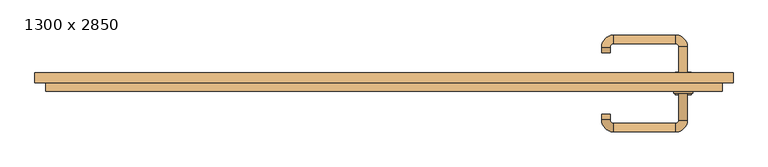
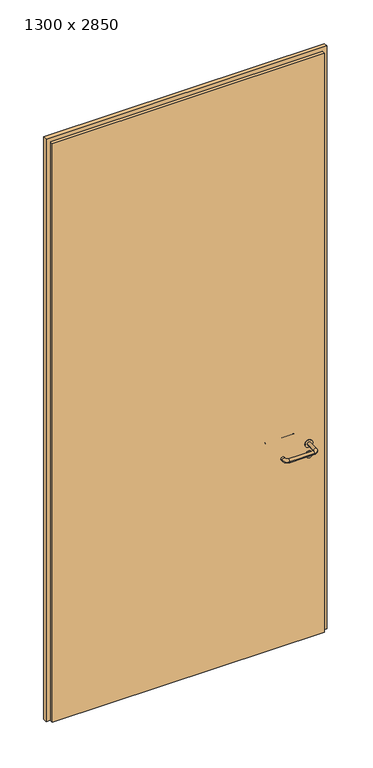
"""IFC4 building model written with IfcOpenShell, lengths in millimetres: door geometry, 1300 x 2850."""

import ifcopenshell
import ifcopenshell.guid

model = None  # the IFC model being written
_history = None  # IfcOwnerHistory: only IFC2X3 demands one
_inside = {}  # id of a spatial element -> (the spatial element, [elements in it])
_under = {}  # id of a project, library or spatial element -> (it, [spatial elements below it])
_declared = {}  # id of a project -> (the project, [libraries it declares])
_typed = {}  # id of a type object -> (the type object, [elements of that type])
_made_of = {}  # id of a material, layer set ... -> (it, [elements and type objects made of it])


def new_model(schema):
    """Start an empty IFC model of exactly this schema.

    Asked for "IFC4X3", IfcOpenShell would pick the latest addendum, in which some entities
    have other attributes; the version numbers below select the first issue.
    IFC2X3 requires an IfcOwnerHistory on every rooted entity: one is made here for all.
    """
    global model, _history
    if schema == "IFC4X3":
        model = ifcopenshell.file(schema_version=(4, 3, 0, 0))
    else:
        model = ifcopenshell.file(schema=schema)
    _inside.clear()
    _under.clear()
    _declared.clear()
    _typed.clear()
    _made_of.clear()
    _history = None
    if model.schema == "IFC2X3":
        org = make("IfcOrganization", Name="unknown")
        user = make(
            "IfcPersonAndOrganization",
            ThePerson=make("IfcPerson", FamilyName="unknown"),
            TheOrganization=org,
        )
        app = make(
            "IfcApplication",
            ApplicationDeveloper=org,
            Version="unknown",
            ApplicationFullName="unknown",
            ApplicationIdentifier="unknown",
        )
        _history = make(
            "IfcOwnerHistory",
            OwningUser=user,
            OwningApplication=app,
            ChangeAction="ADDED",
            CreationDate=0,
        )
    return model


def make(cls, **values):
    """One entity of the class cls with the attributes given. An attribute that is None is left unset."""
    return model.create_entity(
        cls, **{name: value for name, value in values.items() if value is not None}
    )


def rooted(cls, **values):
    """An entity with a GlobalId (a new one), such as an element, a storey or a relation."""
    return make(cls, GlobalId=ifcopenshell.guid.new(), OwnerHistory=_history, **values)


def si_unit(unit_type, name, prefix=None):
    """IfcSIUnit, for example si_unit("LENGTHUNIT", "METRE", prefix="MILLI")."""
    return make("IfcSIUnit", UnitType=unit_type, Prefix=prefix, Name=name)


def assignment(units):
    """IfcUnitAssignment: the units of a project."""
    return None if units is None else make("IfcUnitAssignment", Units=units)


def point(xyz):
    """IfcCartesianPoint."""
    return None if xyz is None else make("IfcCartesianPoint", Coordinates=xyz)


def direction(xyz):
    """IfcDirection."""
    return None if xyz is None else make("IfcDirection", DirectionRatios=xyz)


def frame(location, z_axis=None, x_axis=None):
    """IfcAxis2Placement3D, a coordinate frame: its origin and axes. An axis left out is left unset."""
    return make(
        "IfcAxis2Placement3D",
        Location=point(location),
        Axis=direction(z_axis),
        RefDirection=direction(x_axis),
    )


def frame_2d(location, x_axis=None):
    """IfcAxis2Placement2D, a coordinate frame in the plane: its origin and x axis."""
    return make(
        "IfcAxis2Placement2D", Location=point(location), RefDirection=direction(x_axis)
    )


def origin():
    """The frame at (0, 0, 0) with its axes left unset."""
    return frame((0.0, 0.0, 0.0))


def origin_with_axes():
    """The frame at (0, 0, 0) with the z axis (0, 0, 1) and the x axis (1, 0, 0) written out."""
    return frame((0.0, 0.0, 0.0), z_axis=(0.0, 0.0, 1.0), x_axis=(1.0, 0.0, 0.0))


def place(relative_to, where):
    """IfcLocalPlacement: puts the frame where relative to a parent placement (None: the world)."""
    return make(
        "IfcLocalPlacement", PlacementRelTo=relative_to, RelativePlacement=where
    )


def context(
    kind, dimensions, precision=None, world=None, true_north=None, identifier=None
):
    """IfcGeometricRepresentationContext, for example the 3D "Model" context."""
    return make(
        "IfcGeometricRepresentationContext",
        ContextIdentifier=identifier,
        ContextType=kind,
        CoordinateSpaceDimension=dimensions,
        Precision=precision,
        WorldCoordinateSystem=world,
        TrueNorth=true_north,
    )


def project(units=None, contexts=None):
    """IfcProject with its units and contexts."""
    return rooted(
        "IfcProject",
        Name="project",
        RepresentationContexts=contexts,
        UnitsInContext=assignment(units),
    )


def spatial(cls, under=None, at=None, **own):
    """A site, building, storey or space (cls), placed at a placement, below another one or the project."""
    s = rooted(cls, ObjectPlacement=at, **own)
    if under is not None:
        _under.setdefault(under.id(), (under, []))[1].append(s)
    return s


def polyline(points):
    """IfcPolyline through the points."""
    return make("IfcPolyline", Points=[point(p) for p in points])


def circle_curve(where, radius):
    """IfcCircle in the frame where."""
    return make("IfcCircle", Position=where, Radius=radius)


def ellipse_curve(where, semi_axis1, semi_axis2):
    """IfcEllipse in the frame where."""
    return make(
        "IfcEllipse", Position=where, SemiAxis1=semi_axis1, SemiAxis2=semi_axis2
    )


def trimmed(basis, trim1, trim2, sense, master):
    """IfcTrimmedCurve: the piece of a basis curve between two trims."""
    return make(
        "IfcTrimmedCurve",
        BasisCurve=basis,
        Trim1=trim1,
        Trim2=trim2,
        SenseAgreement=sense,
        MasterRepresentation=master,
    )


def segment(curve, same_sense, transition):
    """IfcCompositeCurveSegment."""
    return make(
        "IfcCompositeCurveSegment",
        Transition=transition,
        SameSense=same_sense,
        ParentCurve=curve,
    )


def composite_curve(segments, self_intersect=None):
    """IfcCompositeCurve: segments joined end to end."""
    return make("IfcCompositeCurve", Segments=segments, SelfIntersect=self_intersect)


def outline(outer, holes=None, kind="AREA"):
    """IfcArbitraryClosedProfileDef: a profile drawn as a closed curve; with holes, ...WithVoids."""
    if holes is None:
        return make("IfcArbitraryClosedProfileDef", ProfileType=kind, OuterCurve=outer)
    return make(
        "IfcArbitraryProfileDefWithVoids",
        ProfileType=kind,
        OuterCurve=outer,
        InnerCurves=holes,
    )


def extrude(swept, where, along, depth):
    """IfcExtrudedAreaSolid: the profile swept, set in the frame where, extruded along a direction by depth."""
    return make(
        "IfcExtrudedAreaSolid",
        SweptArea=swept,
        Position=where,
        ExtrudedDirection=direction(along),
        Depth=depth,
    )


def shape(context_of_items, identifier, shape_type, items):
    """IfcShapeRepresentation: the items that make up one representation, for example the "Body"."""
    return make(
        "IfcShapeRepresentation",
        ContextOfItems=context_of_items,
        RepresentationIdentifier=identifier,
        RepresentationType=shape_type,
        Items=items,
    )


def source(mapping_origin, context_of_items, identifier, shape_type, items):
    """IfcRepresentationMap: a shape defined once, which mapped items show again and again."""
    return make(
        "IfcRepresentationMap",
        MappingOrigin=mapping_origin,
        MappedRepresentation=shape(context_of_items, identifier, shape_type, items),
    )


def transform(
    local_origin,
    x_axis=None,
    y_axis=None,
    z_axis=None,
    scale=None,
    scale2=None,
    scale3=None,
    uniform=True,
):
    """IfcCartesianTransformationOperator3D, or its non-uniform kind. x_axis, y_axis, z_axis: its Axis1, 2, 3."""
    if uniform:
        return make(
            "IfcCartesianTransformationOperator3D",
            Axis1=direction(x_axis),
            Axis2=direction(y_axis),
            LocalOrigin=point(local_origin),
            Scale=scale,
            Axis3=direction(z_axis),
        )
    return make(
        "IfcCartesianTransformationOperator3DnonUniform",
        Axis1=direction(x_axis),
        Axis2=direction(y_axis),
        LocalOrigin=point(local_origin),
        Scale=scale,
        Axis3=direction(z_axis),
        Scale2=scale2,
        Scale3=scale3,
    )


def mapped(mapping_source, mapping_target):
    """IfcMappedItem: shows the shape of a source again, moved by a transform."""
    return make(
        "IfcMappedItem", MappingSource=mapping_source, MappingTarget=mapping_target
    )


def made_of(thing, what):
    """Note that an element or type object is made of a material, layer set ...; save() writes the relation."""
    if what is not None:
        _made_of.setdefault(what.id(), (what, []))[1].append(thing)
    return thing


def element(
    cls,
    number,
    at=None,
    inside=None,
    cuts=None,
    type_object=None,
    material=None,
    context=None,
    identifier="Body",
    shape_type=None,
    held_by="IfcProductDefinitionShape",
    body=None,
    shapes=None,
    **own,
):
    """One element of the class cls, such as IfcWall. Its Tag is "e" and its number.

    at: its placement. inside: the storey or other place that contains it. cuts: it is an
    opening in that element (IfcRelVoidsElement). A single representation is given by context,
    identifier, shape_type and body (its items); several are given by shapes. held_by: the class
    of the entity that holds the representations. save() writes the other relations.
    """
    e = rooted(cls, Tag="e%d" % number, ObjectPlacement=at, **own)
    if body is not None:
        shapes = [shape(context, identifier, shape_type, body)]
    if shapes is not None:
        e.Representation = make(held_by, Representations=shapes)
    if inside is not None:
        _inside.setdefault(inside.id(), (inside, []))[1].append(e)
    if cuts is not None:
        rooted(
            "IfcRelVoidsElement", RelatingBuildingElement=cuts, RelatedOpeningElement=e
        )
    if type_object is not None:
        _typed.setdefault(type_object.id(), (type_object, []))[1].append(e)
    return made_of(e, material)


def aggregate(whole, parts):
    """IfcRelAggregates: a whole, such as a stair, and the parts it consists of."""
    return rooted("IfcRelAggregates", RelatingObject=whole, RelatedObjects=parts)


def save(model, path):
    """Write the relations noted so far, then the file.

    IfcRelAggregates (storeys below a building ...), IfcRelContainedInSpatialStructure (elements
    in a storey), IfcRelDefinesByType, IfcRelAssociatesMaterial and IfcRelDeclares: one each for
    every whole, place, type object, material and project.
    """
    for whole, parts in _under.values():
        aggregate(whole, parts)
    for where, things in _inside.values():
        rooted(
            "IfcRelContainedInSpatialStructure",
            RelatedElements=things,
            RelatingStructure=where,
        )
    for kind, things in _typed.values():
        rooted("IfcRelDefinesByType", RelatedObjects=things, RelatingType=kind)
    for what, things in _made_of.values():
        rooted("IfcRelAssociatesMaterial", RelatedObjects=things, RelatingMaterial=what)
    for by, libraries in _declared.values():
        rooted("IfcRelDeclares", RelatingContext=by, RelatedDefinitions=libraries)
    model.write(path)


def plane_surface(at):
    """IfcPlane: the flat surface through the origin of the frame at, square to its z axis."""
    return make("IfcPlane", Position=at)


def cylinder_surface(at, radius):
    """IfcCylindricalSurface: all points at the distance radius from the z axis of the frame at."""
    return make("IfcCylindricalSurface", Position=at, Radius=radius)


def revolved_surface(curve, axis_point, axis_direction):
    """IfcSurfaceOfRevolution: the curve turned about the line through axis_point along axis_direction."""
    return make(
        "IfcSurfaceOfRevolution",
        SweptCurve=make("IfcArbitraryOpenProfileDef", ProfileType="CURVE", Curve=curve),
        AxisPosition=make("IfcAxis1Placement", Location=point(axis_point), Axis=direction(axis_direction)),
    )


def advanced_brep(points, edges, surfaces, faces):
    """IfcAdvancedBrep: a solid bounded by faces that lie on surfaces and meet in shared edges.

    An edge is (start, end): straight between two places in points (the first is 0);
    or (start, end, curve); or (start, end, curve, False) where it runs against its curve.
    A face is (place in surfaces, loops), or (place, loops, False) where it looks against
    its surface's normal. A loop lists edges by number (the first is 1), with a minus sign
    where the edge is run from its end to its start. The first loop is the outer one.
    """
    corners = [point(p) for p in points]
    vertices = [make("IfcVertexPoint", VertexGeometry=c) for c in corners]
    made = []
    for start, end, *more in edges:
        made.append(
            make(
                "IfcEdgeCurve",
                EdgeStart=vertices[start],
                EdgeEnd=vertices[end],
                EdgeGeometry=more[0] if more else make("IfcPolyline", Points=[corners[start], corners[end]]),
                SameSense=more[1] if len(more) > 1 else True,
            )
        )
    hull = []
    for where, loops, *sense in faces:
        bounds = []
        for j, loop in enumerate(loops):
            ring = [make("IfcOrientedEdge", EdgeElement=made[abs(k) - 1], Orientation=k > 0) for k in loop]
            bounds.append(
                make(
                    "IfcFaceOuterBound" if j == 0 else "IfcFaceBound",
                    Bound=make("IfcEdgeLoop", EdgeList=ring),
                    Orientation=True,
                )
            )
        hull.append(make("IfcAdvancedFace", Bounds=bounds, FaceSurface=surfaces[where], SameSense=sense[0] if sense else True))
    return make("IfcAdvancedBrep", Outer=make("IfcClosedShell", CfsFaces=hull))


def door_1300_x_2850_99b6e369(model_context):
    return source(origin(), model_context, "Body", "SolidModel", [
        extrude(outline(composite_curve([segment(trimmed(circle_curve(frame_2d((897.3605726, 557.0)), 15.0), [point((897.3605726, 572.0))], [point((897.3605726, 542.0))], False, "CARTESIAN"), True, "CONTINUOUS"), segment(trimmed(circle_curve(frame_2d((897.3605726, 557.0)), 15.0), [point((897.3605726, 542.0))], [point((897.3605726, 572.0))], False, "CARTESIAN"), True, "CONTINUOUS")], self_intersect=False), holes=[composite_curve([segment(trimmed(circle_curve(frame_2d((892.5833211, 556.9398032)), 2.0), [point((892.5833211, 558.9398032))], [point((892.5833211, 554.9398032))], True, "CARTESIAN"), True, "CONTINUOUS"), segment(polyline([(892.5833211, 554.9398032), (902.5833211, 554.9398032)]), True, "CONTINUOUS"), segment(trimmed(circle_curve(frame_2d((902.5833211, 556.9398032)), 2.0), [point((902.5833211, 554.9398032))], [point((902.5833211, 558.9398032))], True, "CARTESIAN"), True, "CONTINUOUS"), segment(polyline([(902.5833211, 558.9398032), (892.5833211, 558.9398032)]), True, "CONTINUOUS")], self_intersect=False)]), frame((0.0, -31.35, 0.0), z_axis=(0.0, 1.0, 0.0), x_axis=(0.0, 0.0, 1.0)), (0.0, 0.0, 1.0), 6.35),
        extrude(outline(composite_curve([segment(trimmed(circle_curve(frame_2d((950.0, 557.0)), 17.526), [point((950.0, 574.526))], [point((950.0, 539.474))], False, "CARTESIAN"), True, "CONTINUOUS"), segment(trimmed(circle_curve(frame_2d((950.0, 557.0)), 17.526), [point((950.0, 539.474))], [point((950.0, 574.526))], False, "CARTESIAN"), True, "CONTINUOUS")], self_intersect=False)), frame((0.0, -28.175, 0.0), z_axis=(0.0, 1.0, 0.0), x_axis=(0.0, 0.0, 1.0)), (0.0, 0.0, 1.0), 3.175),
        advanced_brep(
        [(565.0, -25.0, 950.0), (549.0, -25.0, 950.0), (549.0, -78.0, 950.0), (565.0, -78.0, 950.0), (542.8578644, -84.1421356, 950.0), (542.8578644, -100.1421356, 950.0), (427.8578644, -84.1421356, 950.0), (427.8578644, -100.1421356, 950.0), (421.008622, -77.2928932, 950.0), (405.008622, -77.2928932, 950.0), (405.008622, -67.2928932, 950.0), (421.008622, -67.2928932, 950.0)],
        [
            (0, 1, circle_curve(frame((557.0, -25.0, 950.0), z_axis=(0.0, 1.0, 0.0), x_axis=(-1.0, 0.0, 0.0)), 8.0)),
            (1, 0, circle_curve(frame((557.0, -25.0, 950.0), z_axis=(0.0, 1.0, 0.0), x_axis=(-1.0, 0.0, 0.0)), 8.0)),
            (1, 2),
            (2, 3, circle_curve(frame((557.0, -78.0, 950.0), z_axis=(0.0, 1.0, 0.0), x_axis=(-1.0, 0.0, 0.0)), 8.0)),
            (3, 0),
            (3, 2, circle_curve(frame((557.0, -78.0, 950.0), z_axis=(0.0, 1.0, 0.0), x_axis=(-1.0, 0.0, 0.0)), 8.0)),
            (4, 5, circle_curve(frame((542.8578644, -92.1421356, 950.0), z_axis=(1.0, 0.0, 0.0), x_axis=(0.0, 1.0, 0.0)), 8.0)),
            (5, 3, circle_curve(frame((542.8578644, -78.0, 950.0), z_axis=(0.0, 0.0, 1.0), x_axis=(1.0, 0.0, 0.0)), 22.1421356)),
            (2, 4, circle_curve(frame((542.8578644, -78.0, 950.0), z_axis=(0.0, 0.0, -1.0), x_axis=(1.0, 0.0, 0.0)), 6.1421356)),
            (5, 4, circle_curve(frame((542.8578644, -92.1421356, 950.0), z_axis=(1.0, 0.0, 0.0), x_axis=(0.0, 1.0, 0.0)), 8.0)),
            (4, 6),
            (6, 7, circle_curve(frame((427.8578644, -92.1421356, 950.0), z_axis=(1.0, 0.0, 0.0), x_axis=(0.0, 1.0, 0.0)), 8.0)),
            (7, 5),
            (7, 6, circle_curve(frame((427.8578644, -92.1421356, 950.0), z_axis=(1.0, 0.0, 0.0), x_axis=(0.0, 1.0, 0.0)), 8.0)),
            (8, 9, circle_curve(frame((413.008622, -77.2928932, 950.0), z_axis=(0.0, -1.0, 0.0), x_axis=(1.0, 0.0, 0.0)), 8.0)),
            (9, 7, circle_curve(frame((427.8578644, -77.2928932, 950.0), z_axis=(0.0, 0.0, 1.0), x_axis=(0.0, -1.0, 0.0)), 22.8492424)),
            (6, 8, circle_curve(frame((427.8578644, -77.2928932, 950.0), z_axis=(0.0, 0.0, -1.0), x_axis=(0.0, -1.0, 0.0)), 6.8492424)),
            (9, 8, circle_curve(frame((413.008622, -77.2928932, 950.0), z_axis=(0.0, -1.0, 0.0), x_axis=(1.0, 0.0, 0.0)), 8.0)),
            (10, 11, circle_curve(frame((413.008622, -67.2928932, 950.0), z_axis=(0.0, 1.0, 0.0), x_axis=(1.0, 0.0, 0.0)), 8.0)),
            (11, 10, circle_curve(frame((413.008622, -67.2928932, 950.0), z_axis=(0.0, 1.0, 0.0), x_axis=(1.0, 0.0, 0.0)), 8.0)),
            (8, 11),
            (10, 9),
        ],
        [
            plane_surface(frame((557.0, -25.0, 0.0), z_axis=(0.0, 1.0, 0.0), x_axis=(0.0, 0.0, 1.0))),
            cylinder_surface(frame((557.0, -25.0, 950.0), z_axis=(0.0, 1.0, 0.0), x_axis=(-1.0, 0.0, 0.0)), 8.0),
            revolved_surface(trimmed(ellipse_curve(frame((557.0, -78.0, 950.0), z_axis=(0.0, -1.0, 0.0), x_axis=(-1.0, 0.0, 0.0)), 8.0, 8.0), [point((565.0, -78.0, 950.0))], [point((549.0, -78.0, 950.0))], True, "CARTESIAN"), (542.8578644, -78.0, 0.0), (0.0, 0.0, 1.0)),
            revolved_surface(trimmed(ellipse_curve(frame((557.0, -78.0, 950.0), z_axis=(0.0, -1.0, 0.0), x_axis=(-1.0, 0.0, 0.0)), 8.0, 8.0), [point((549.0, -78.0, 950.0))], [point((565.0, -78.0, 950.0))], True, "CARTESIAN"), (542.8578644, -78.0, 0.0), (0.0, 0.0, 1.0)),
            cylinder_surface(frame((542.8578644, -92.1421356, 950.0), z_axis=(1.0, 0.0, 0.0), x_axis=(0.0, 1.0, 0.0)), 8.0),
            revolved_surface(trimmed(ellipse_curve(frame((427.8578644, -92.1421356, 950.0), z_axis=(-1.0, 0.0, 0.0), x_axis=(0.0, 1.0, 0.0)), 8.0, 8.0), [point((427.8578644, -100.1421356, 950.0))], [point((427.8578644, -84.1421356, 950.0))], True, "CARTESIAN"), (427.8578644, -77.2928932, 0.0), (0.0, 0.0, 1.0)),
            revolved_surface(trimmed(ellipse_curve(frame((427.8578644, -92.1421356, 950.0), z_axis=(-1.0, 0.0, 0.0), x_axis=(0.0, 1.0, 0.0)), 8.0, 8.0), [point((427.8578644, -84.1421356, 950.0))], [point((427.8578644, -100.1421356, 950.0))], True, "CARTESIAN"), (427.8578644, -77.2928932, 0.0), (0.0, 0.0, 1.0)),
            plane_surface(frame((413.008622, -67.2928932, 0.0), z_axis=(0.0, 1.0, 0.0), x_axis=(0.0, 0.0, 1.0))),
            cylinder_surface(frame((413.008622, -77.2928932, 950.0), z_axis=(0.0, -1.0, 0.0), x_axis=(1.0, 0.0, 0.0)), 8.0),
        ],
        [
            (0, [[1, 2]]),
            (1, [[3, 4, 5, -2]]),
            (1, [[-5, 6, -3, -1]]),
            (2, [[7, 8, -4, 9]]),
            (3, [[10, -9, -6, -8]]),
            (4, [[11, 12, 13, -7]]),
            (4, [[-13, 14, -11, -10]]),
            (5, [[15, 16, -12, 17]]),
            (6, [[18, -17, -14, -16]]),
            (7, [[19, 20]]),
            (8, [[21, -19, 22, -15]]),
            (8, [[-22, -20, -21, -18]]),
        ],
    ),
        extrude(outline(composite_curve([segment(trimmed(circle_curve(frame_2d((0.0, -15.0)), 15.0), [point((0.0, -30.0))], [point((0.0, 0.0))], False, "CARTESIAN"), True, "CONTINUOUS"), segment(trimmed(circle_curve(frame_2d((0.0, -15.0)), 15.0), [point((0.0, 0.0))], [point((0.0, -30.0))], False, "CARTESIAN"), True, "CONTINUOUS")], self_intersect=False), holes=[composite_curve([segment(trimmed(circle_curve(frame_2d((4.7772515, -14.9398032)), 2.0), [point((4.7772515, -16.9398032))], [point((4.7772515, -12.9398032))], True, "CARTESIAN"), True, "CONTINUOUS"), segment(polyline([(4.7772515, -12.9398032), (-5.2227485, -12.9398032)]), True, "CONTINUOUS"), segment(trimmed(circle_curve(frame_2d((-5.2227485, -14.9398032)), 2.0), [point((-5.2227485, -12.9398032))], [point((-5.2227485, -16.9398032))], True, "CARTESIAN"), True, "CONTINUOUS"), segment(polyline([(-5.2227485, -16.9398032), (4.7772515, -16.9398032)]), True, "CONTINUOUS")], self_intersect=False)]), frame((542.0, 5.0, 897.3605726), z_axis=(1.8870575173328306e-12, 1.0, 0.0), x_axis=(0.0, 0.0, -1.0)), (0.0, 0.0, 1.0), 6.35),
        extrude(outline(composite_curve([segment(trimmed(circle_curve(frame_2d((0.0, -17.526)), 17.526), [point((0.0, -35.052))], [point((0.0, 0.0))], False, "CARTESIAN"), True, "CONTINUOUS"), segment(trimmed(circle_curve(frame_2d((0.0, -17.526)), 17.526), [point((0.0, 0.0))], [point((0.0, -35.052))], False, "CARTESIAN"), True, "CONTINUOUS")], self_intersect=False)), frame((539.474, 5.0, 950.0), z_axis=(1.8870575173328306e-12, 1.0, 0.0), x_axis=(0.0, 0.0, -1.0)), (0.0, 0.0, 1.0), 3.175),
        advanced_brep(
        [(565.0, 5.0, 950.0), (549.0, 5.0, 950.0), (565.0, 58.0, 950.0), (549.0, 58.0, 950.0), (542.8578644, 64.1421356, 950.0), (542.8578644, 80.1421356, 950.0), (427.8578644, 80.1421356, 950.0), (427.8578644, 64.1421356, 950.0), (421.008622, 57.2928932, 950.0), (405.008622, 57.2928932, 950.0), (405.008622, 47.2928932, 950.0), (421.008622, 47.2928932, 950.0)],
        [
            (0, 1, circle_curve(frame((557.0, 5.0, 950.0), z_axis=(-1.888672253512351e-12, -1.0, 0.0), x_axis=(-1.0, 1.888672253512351e-12, 0.0)), 8.0)),
            (1, 0, circle_curve(frame((557.0, 5.0, 950.0), z_axis=(-1.888672253512351e-12, -1.0, 0.0), x_axis=(-1.0, 1.888672253512351e-12, 0.0)), 8.0)),
            (0, 2),
            (2, 3, circle_curve(frame((557.0, 58.0, 950.0), z_axis=(-1.888672253512351e-12, -1.0, 0.0), x_axis=(-1.0, 1.888672253512351e-12, 0.0)), 8.0)),
            (3, 1),
            (3, 2, circle_curve(frame((557.0, 58.0, 950.0), z_axis=(-1.888672253512351e-12, -1.0, 0.0), x_axis=(-1.0, 1.888672253512351e-12, 0.0)), 8.0)),
            (4, 3, circle_curve(frame((542.8578644, 58.0, 950.0), z_axis=(0.0, 0.0, -1.0), x_axis=(1.0, -1.880717803715015e-12, 0.0)), 6.1421356)),
            (2, 5, circle_curve(frame((542.8578644, 58.0, 950.0), z_axis=(0.0, 0.0, 1.0), x_axis=(1.0, -1.880717803715015e-12, 0.0)), 22.1421356)),
            (5, 4, circle_curve(frame((542.8578644, 72.1421356, 950.0), z_axis=(1.0, -1.913702061528922e-12, 0.0), x_axis=(-1.913702061528922e-12, -1.0, 0.0)), 8.0)),
            (4, 5, circle_curve(frame((542.8578644, 72.1421356, 950.0), z_axis=(1.0, -1.913702061528922e-12, 0.0), x_axis=(-1.913702061528922e-12, -1.0, 0.0)), 8.0)),
            (5, 6),
            (6, 7, circle_curve(frame((427.8578644, 72.1421356, 950.0), z_axis=(1.0, -1.913719828541269e-12, 0.0), x_axis=(-1.913719828541269e-12, -1.0, 0.0)), 8.0)),
            (7, 4),
            (7, 6, circle_curve(frame((427.8578644, 72.1421356, 950.0), z_axis=(1.0, -1.913719828541269e-12, 0.0), x_axis=(-1.913719828541269e-12, -1.0, 0.0)), 8.0)),
            (8, 7, circle_curve(frame((427.8578644, 57.2928932, 950.0), z_axis=(0.0, 0.0, -1.0), x_axis=(1.9120873253494017e-12, 1.0, 0.0)), 6.8492424)),
            (6, 9, circle_curve(frame((427.8578644, 57.2928932, 950.0), z_axis=(0.0, 0.0, 1.0), x_axis=(1.9120873253494017e-12, 1.0, 0.0)), 22.8492424)),
            (9, 8, circle_curve(frame((413.008622, 57.2928932, 950.0), z_axis=(1.890448610351751e-12, 1.0, 0.0), x_axis=(1.0, -1.890448610351751e-12, 0.0)), 8.0)),
            (8, 9, circle_curve(frame((413.008622, 57.2928932, 950.0), z_axis=(1.8888942981172756e-12, 1.0, 0.0), x_axis=(1.0, -1.8888942981172756e-12, 0.0)), 8.0)),
            (10, 11, circle_curve(frame((413.008622, 47.2928932, 950.0), z_axis=(-1.8903642334018795e-12, -1.0, 0.0), x_axis=(1.0, -1.8903642334018795e-12, 0.0)), 8.0)),
            (11, 10, circle_curve(frame((413.008622, 47.2928932, 950.0), z_axis=(-1.8903642334018795e-12, -1.0, 0.0), x_axis=(1.0, -1.8903642334018795e-12, 0.0)), 8.0)),
            (9, 10),
            (11, 8),
        ],
        [
            plane_surface(frame((557.0, 5.0, 0.0), z_axis=(-1.8870575173328306e-12, -1.0, 0.0), x_axis=(0.0, 0.0, 1.0))),
            cylinder_surface(frame((557.0, 5.0, 950.0), z_axis=(-1.888672253512351e-12, -1.0, 0.0), x_axis=(-1.0, 1.888672253512351e-12, 0.0)), 8.0),
            revolved_surface(trimmed(ellipse_curve(frame((557.0, 58.0, 950.0), z_axis=(-1.8823325398945356e-12, -1.0, 0.0), x_axis=(-1.0, 1.8823325398945356e-12, 0.0)), 8.0, 8.0), [point((565.0, 58.0, 950.0))], [point((549.0, 58.0, 950.0))], True, "CARTESIAN"), (542.8578644, 58.0, 0.0), (0.0, 0.0, 1.0)),
            revolved_surface(trimmed(ellipse_curve(frame((557.0, 58.0, 950.0), z_axis=(-1.8823325398945356e-12, -1.0, 0.0), x_axis=(-1.0, 1.8823325398945356e-12, 0.0)), 8.0, 8.0), [point((549.0, 58.0, 950.0))], [point((565.0, 58.0, 950.0))], True, "CARTESIAN"), (542.8578644, 58.0, 0.0), (0.0, 0.0, 1.0)),
            cylinder_surface(frame((542.8578644, 72.1421356, 950.0), z_axis=(1.0, -1.913719828541269e-12, 0.0), x_axis=(-1.913719828541269e-12, -1.0, 0.0)), 8.0),
            revolved_surface(trimmed(ellipse_curve(frame((427.8578644, 72.1421356, 950.0), z_axis=(1.0, -1.913702061528922e-12, 0.0), x_axis=(-1.913702061528922e-12, -1.0, 0.0)), 8.0, 8.0), [point((427.8578644, 80.1421356, 950.0))], [point((427.8578644, 64.1421356, 950.0))], True, "CARTESIAN"), (427.8578644, 57.2928932, 0.0), (0.0, 0.0, 1.0)),
            revolved_surface(trimmed(ellipse_curve(frame((427.8578644, 72.1421356, 950.0), z_axis=(1.0, -1.913702061528922e-12, 0.0), x_axis=(-1.913702061528922e-12, -1.0, 0.0)), 8.0, 8.0), [point((427.8578644, 64.1421356, 950.0))], [point((427.8578644, 80.1421356, 950.0))], True, "CARTESIAN"), (427.8578644, 57.2928932, 0.0), (0.0, 0.0, 1.0)),
            plane_surface(frame((413.008622, 47.2928932, 0.0), z_axis=(-1.8887494972223595e-12, -1.0, 0.0), x_axis=(0.0, 0.0, 1.0))),
            cylinder_surface(frame((413.008622, 57.2928932, 950.0), z_axis=(1.8903642334018795e-12, 1.0, 0.0), x_axis=(1.0, -1.8903642334018795e-12, 0.0)), 8.0),
        ],
        [
            (0, [[1, 2]]),
            (1, [[-1, 3, 4, 5]]),
            (1, [[-2, -5, 6, -3]]),
            (2, [[7, -4, 8, 9]]),
            (3, [[-8, -6, -7, 10]]),
            (4, [[-9, 11, 12, 13]]),
            (4, [[-10, -13, 14, -11]]),
            (5, [[15, -12, 16, 17]]),
            (6, [[-16, -14, -15, 18]]),
            (7, [[19, 20]]),
            (8, [[-17, 21, -20, 22]]),
            (8, [[-18, -22, -19, -21]]),
        ],
    ),
        extrude(outline(polyline([(2830.0, 630.0), (0.0, 630.0), (0.0, 650.0), (2850.0, 650.0), (2850.0, -650.0), (0.0, -650.0), (0.0, -630.0), (2830.0, -630.0), (2830.0, 630.0)])), frame((0.0, -9.0, 0.0), z_axis=(0.0, 1.0, 0.0), x_axis=(0.0, 0.0, 1.0)), (0.0, 0.0, 1.0), 19.0),
        extrude(outline(polyline([(-630.0, 5.0), (630.0, 5.0), (630.0, -25.0), (-630.0, -25.0), (-630.0, 5.0)])), origin_with_axes(), (0.0, 0.0, 1.0), 2830.0),
    ])


if __name__ == "__main__":
    model = new_model("IFC4")
    model_context = context("Model", 3, world=origin())
    ifc_project = project(units=[si_unit("LENGTHUNIT", "METRE", prefix="MILLI")], contexts=[model_context])
    site = spatial("IfcSite", under=ifc_project)
    building = spatial("IfcBuilding", under=site)
    placement = place(None, origin())
    door_1300_x_2850_shape = door_1300_x_2850_99b6e369(model_context)
    element("IfcDoor", 1, ObjectType="1300 x 2850", at=placement, inside=building, context=model_context, shape_type="MappedRepresentation", body=[
        mapped(door_1300_x_2850_shape, transform((0.0, 0.0, 0.0), x_axis=(1.0, 0.0, 0.0), y_axis=(0.0, 1.0, 0.0), z_axis=(0.0, 0.0, 1.0))),
    ])
    save(model, "model.ifc")
